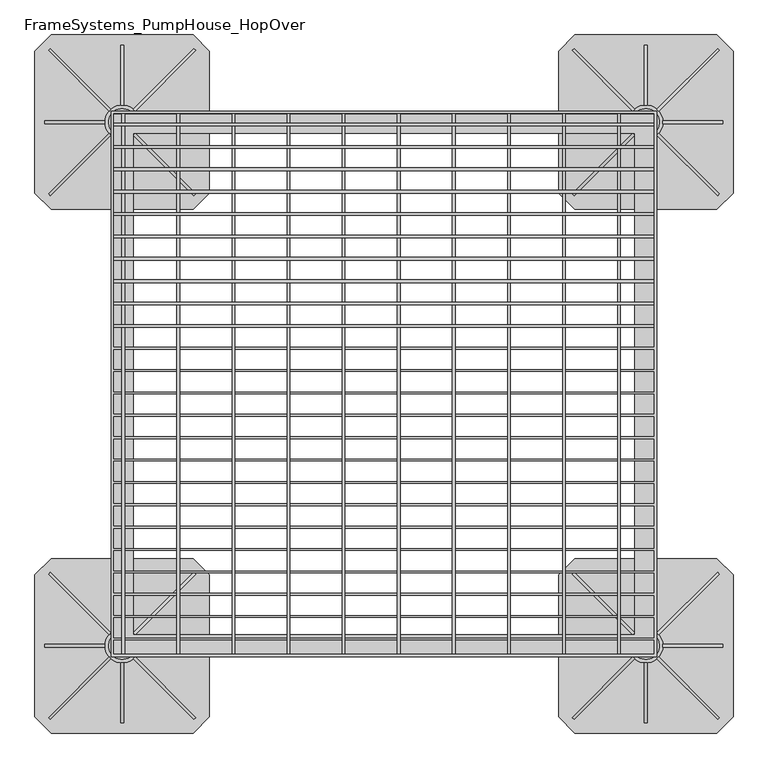
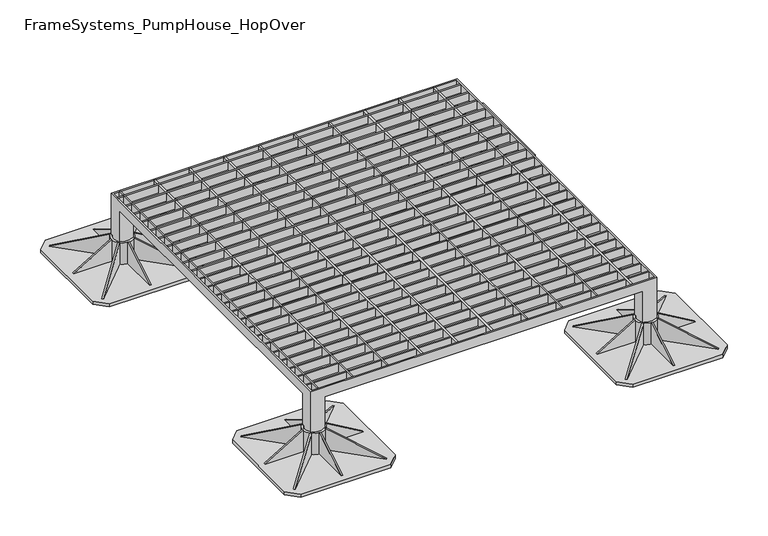
"""IFC4 building model written with IfcOpenShell, lengths in millimetres: beam geometry, FrameSystems_PumpHouse_HopOver."""

from ifc_helpers import new_model, si_unit, point, frame, frame_2d, origin, origin_with_axes, place, context, project, spatial, polyline, circle_curve, trimmed, segment, composite_curve, outline, extrude, faceted_brep, source, transform, mapped, element, save


def framesystems_pumphouse_hopover_ea72f571(model_context):
    return source(origin(), model_context, "Body", "SolidModel", [
        extrude(outline(polyline([(0.0, 0.0), (169.9235121, 0.0), (145.0593839, -60.0564328), (0.0, 0.0)])), frame((1091.5218613, -98.5573952, 10.0), z_axis=(0.7071067811865491, 0.7071067811865459, 0.0), x_axis=(-0.653327860317026, 0.653327860317029, 0.3825250499864671)), (0.0, 0.0, 1.0), 5.0),
        extrude(outline(polyline([(0.0, 0.0), (-145.0593839, -60.0564328), (-169.9235121, 0.0), (0.0, 0.0)])), frame((828.4781387, -98.5573952, 10.0), z_axis=(-0.7071067811865449, 0.7071067811865502, 0.0), x_axis=(-0.65332786031703, -0.653327860317025, -0.38252504998646697)), (0.0, 0.0, 1.0), 5.0),
        extrude(outline(polyline([(0.0, 0.0), (169.9235121, 0.0), (145.0593839, -60.0564328), (0.0, 0.0)])), frame((1095.0573952, 168.0218613, 10.0), z_axis=(-0.707106781186539, 0.7071067811865561, 0.0), x_axis=(-0.6533278603170355, -0.6533278603170196, 0.3825250499864671)), (0.0, 0.0, 1.0), 5.0),
        extrude(outline(polyline([(10.0, 818.5), (10.0, 928.5), (75.0, 928.5), (10.0, 818.5)])), frame((0.0, 34.0, 0.0), z_axis=(0.0, 1.0, 0.0), x_axis=(0.0, 0.0, 1.0)), (0.0, 0.0, 1.0), 5.0),
        extrude(outline(polyline([(178.0, 10.0), (68.0, 10.0), (68.0, 75.0), (178.0, 10.0)])), frame((957.5, 0.0, 0.0), z_axis=(1.0, 0.0, 0.0), x_axis=(0.0, 1.0, 0.0)), (0.0, 0.0, 1.0), 5.0),
        extrude(outline(polyline([(-105.0, 10.0), (5.0, 75.0), (5.0, 10.0), (-105.0, 10.0)])), frame((957.5, 0.0, 0.0), z_axis=(1.0, 0.0, 0.0), x_axis=(0.0, 1.0, 0.0)), (0.0, 0.0, 1.0), 5.0),
        extrude(outline(polyline([(0.0, 0.0), (-145.0593839, -60.0564328), (-169.9235121, 0.0), (0.0, 0.0)])), frame((824.9426048, 168.0218613, 10.0), z_axis=(0.7071067811865491, 0.707106781186546, 0.0), x_axis=(-0.6533278603170262, 0.653327860317029, -0.3825250499864671)), (0.0, 0.0, 1.0), 5.0),
        extrude(outline(polyline([(10.0, 1101.5), (75.0, 991.5), (10.0, 991.5), (10.0, 1101.5)])), frame((0.0, 34.0, 0.0), z_axis=(0.0, 1.0, 0.0), x_axis=(0.0, 0.0, 1.0)), (0.0, 0.0, 1.0), 5.0),
        extrude(outline(composite_curve([segment(trimmed(circle_curve(frame_2d((960.0, 36.5)), 31.5), [point((928.5, 36.5))], [point((991.5, 36.5))], False, "CARTESIAN"), True, "CONTINUOUS"), segment(trimmed(circle_curve(frame_2d((960.0, 36.5)), 31.5), [point((991.5, 36.5))], [point((928.5, 36.5))], False, "CARTESIAN"), True, "CONTINUOUS")], self_intersect=False), holes=[composite_curve([segment(polyline([(940.0, 21.5), (940.0, 16.5), (945.0, 16.5)]), True, "CONTINUOUS"), segment(trimmed(circle_curve(frame_2d((960.0, 36.5)), 25.0), [point((945.0, 16.5))], [point((975.0, 16.5))], True, "CARTESIAN"), True, "CONTINUOUS"), segment(polyline([(975.0, 16.5), (980.0, 16.5), (980.0, 21.5)]), True, "CONTINUOUS"), segment(trimmed(circle_curve(frame_2d((960.0, 36.5)), 25.0), [point((980.0, 21.5))], [point((980.0, 51.5))], True, "CARTESIAN"), True, "CONTINUOUS"), segment(polyline([(980.0, 51.5), (980.0, 56.5), (975.0, 56.5)]), True, "CONTINUOUS"), segment(trimmed(circle_curve(frame_2d((960.0, 36.5)), 25.0), [point((975.0, 56.5))], [point((945.0, 56.5))], True, "CARTESIAN"), True, "CONTINUOUS"), segment(polyline([(945.0, 56.5), (940.0, 56.5), (940.0, 51.5)]), True, "CONTINUOUS"), segment(trimmed(circle_curve(frame_2d((960.0, 36.5)), 25.0), [point((940.0, 51.5))], [point((940.0, 21.5))], True, "CARTESIAN"), True, "CONTINUOUS")], self_intersect=False)]), frame((0.0, 0.0, 10.0), z_axis=(0.0, 0.0, 1.0), x_axis=(1.0, 0.0, 0.0)), (0.0, 0.0, 1.0), 65.0),
        extrude(outline(polyline([(1090.0, 196.5), (1120.0, 166.5), (1120.0, -93.5), (1090.0, -123.5), (830.0, -123.5), (800.0, -93.5), (800.0, 166.5), (830.0, 196.5), (1090.0, 196.5)])), origin_with_axes(), (0.0, 0.0, 1.0), 10.0),
        extrude(outline(polyline([(0.0, 0.0), (169.9235121, 0.0), (145.0593839, -60.0564328), (0.0, 0.0)])), frame((131.5218613, -98.5573952, 10.0), z_axis=(0.7071067811865491, 0.7071067811865459, 0.0), x_axis=(-0.653327860317026, 0.653327860317029, 0.3825250499864671)), (0.0, 0.0, 1.0), 5.0),
        extrude(outline(polyline([(0.0, 0.0), (-145.0593839, -60.0564328), (-169.9235121, 0.0), (0.0, 0.0)])), frame((-131.5218613, -98.5573952, 10.0), z_axis=(-0.7071067811865449, 0.7071067811865502, 0.0), x_axis=(-0.65332786031703, -0.653327860317025, -0.38252504998646697)), (0.0, 0.0, 1.0), 5.0),
        extrude(outline(polyline([(0.0, 0.0), (169.9235121, 0.0), (145.0593839, -60.0564328), (0.0, 0.0)])), frame((135.0573952, 168.0218613, 10.0), z_axis=(-0.707106781186539, 0.7071067811865561, 0.0), x_axis=(-0.6533278603170355, -0.6533278603170196, 0.3825250499864671)), (0.0, 0.0, 1.0), 5.0),
        extrude(outline(polyline([(10.0, -141.5), (10.0, -31.5), (75.0, -31.5), (10.0, -141.5)])), frame((0.0, 34.0, 0.0), z_axis=(0.0, 1.0, 0.0), x_axis=(0.0, 0.0, 1.0)), (0.0, 0.0, 1.0), 5.0),
        extrude(outline(polyline([(178.0, 10.0), (68.0, 10.0), (68.0, 75.0), (178.0, 10.0)])), frame((-2.5, 0.0, 0.0), z_axis=(1.0, 0.0, 0.0), x_axis=(0.0, 1.0, 0.0)), (0.0, 0.0, 1.0), 5.0),
        extrude(outline(polyline([(-105.0, 10.0), (5.0, 75.0), (5.0, 10.0), (-105.0, 10.0)])), frame((-2.5, 0.0, 0.0), z_axis=(1.0, 0.0, 0.0), x_axis=(0.0, 1.0, 0.0)), (0.0, 0.0, 1.0), 5.0),
        extrude(outline(polyline([(0.0, 0.0), (-145.0593839, -60.0564328), (-169.9235121, 0.0), (0.0, 0.0)])), frame((-135.0573952, 168.0218613, 10.0), z_axis=(0.7071067811865491, 0.707106781186546, 0.0), x_axis=(-0.6533278603170262, 0.653327860317029, -0.3825250499864671)), (0.0, 0.0, 1.0), 5.0),
        extrude(outline(polyline([(10.0, 141.5), (75.0, 31.5), (10.0, 31.5), (10.0, 141.5)])), frame((0.0, 34.0, 0.0), z_axis=(0.0, 1.0, 0.0), x_axis=(0.0, 0.0, 1.0)), (0.0, 0.0, 1.0), 5.0),
        extrude(outline(composite_curve([segment(trimmed(circle_curve(frame_2d((0.0, 36.5)), 31.5), [point((-31.5, 36.5))], [point((31.5, 36.5))], False, "CARTESIAN"), True, "CONTINUOUS"), segment(trimmed(circle_curve(frame_2d((0.0, 36.5)), 31.5), [point((31.5, 36.5))], [point((-31.5, 36.5))], False, "CARTESIAN"), True, "CONTINUOUS")], self_intersect=False), holes=[composite_curve([segment(polyline([(-20.0, 21.5), (-20.0, 16.5), (-15.0, 16.5)]), True, "CONTINUOUS"), segment(trimmed(circle_curve(frame_2d((0.0, 36.5)), 25.0), [point((-15.0, 16.5))], [point((15.0, 16.5))], True, "CARTESIAN"), True, "CONTINUOUS"), segment(polyline([(15.0, 16.5), (20.0, 16.5), (20.0, 21.5)]), True, "CONTINUOUS"), segment(trimmed(circle_curve(frame_2d((0.0, 36.5)), 25.0), [point((20.0, 21.5))], [point((20.0, 51.5))], True, "CARTESIAN"), True, "CONTINUOUS"), segment(polyline([(20.0, 51.5), (20.0, 56.5), (15.0, 56.5)]), True, "CONTINUOUS"), segment(trimmed(circle_curve(frame_2d((0.0, 36.5)), 25.0), [point((15.0, 56.5))], [point((-15.0, 56.5))], True, "CARTESIAN"), True, "CONTINUOUS"), segment(polyline([(-15.0, 56.5), (-20.0, 56.5), (-20.0, 51.5)]), True, "CONTINUOUS"), segment(trimmed(circle_curve(frame_2d((0.0, 36.5)), 25.0), [point((-20.0, 51.5))], [point((-20.0, 21.5))], True, "CARTESIAN"), True, "CONTINUOUS")], self_intersect=False)]), frame((0.0, 0.0, 10.0), z_axis=(0.0, 0.0, 1.0), x_axis=(1.0, 0.0, 0.0)), (0.0, 0.0, 1.0), 65.0),
        extrude(outline(polyline([(130.0, 196.5), (160.0, 166.5), (160.0, -93.5), (130.0, -123.5), (-130.0, -123.5), (-160.0, -93.5), (-160.0, 166.5), (-130.0, 196.5), (130.0, 196.5)])), origin_with_axes(), (0.0, 0.0, 1.0), 10.0),
        extrude(outline(polyline([(0.0, 0.0), (169.9235121, 0.0), (145.0593839, -60.0564328), (0.0, 0.0)])), frame((1091.5218613, 861.4426048, 10.0), z_axis=(0.7071067811865491, 0.7071067811865459, 0.0), x_axis=(-0.653327860317026, 0.653327860317029, 0.3825250499864671)), (0.0, 0.0, 1.0), 5.0),
        extrude(outline(polyline([(0.0, 0.0), (-145.0593839, -60.0564328), (-169.9235121, 0.0), (0.0, 0.0)])), frame((828.4781387, 861.4426048, 10.0), z_axis=(-0.7071067811865449, 0.7071067811865502, 0.0), x_axis=(-0.65332786031703, -0.653327860317025, -0.38252504998646697)), (0.0, 0.0, 1.0), 5.0),
        extrude(outline(polyline([(0.0, 0.0), (169.9235121, 0.0), (145.0593839, -60.0564328), (0.0, 0.0)])), frame((1095.0573952, 1128.0218613, 10.0), z_axis=(-0.707106781186539, 0.7071067811865561, 0.0), x_axis=(-0.6533278603170355, -0.6533278603170196, 0.3825250499864671)), (0.0, 0.0, 1.0), 5.0),
        extrude(outline(polyline([(10.0, 818.5), (10.0, 928.5), (75.0, 928.5), (10.0, 818.5)])), frame((0.0, 994.0, 0.0), z_axis=(0.0, 1.0, 0.0), x_axis=(0.0, 0.0, 1.0)), (0.0, 0.0, 1.0), 5.0),
        extrude(outline(polyline([(1138.0, 10.0), (1028.0, 10.0), (1028.0, 75.0), (1138.0, 10.0)])), frame((957.5, 0.0, 0.0), z_axis=(1.0, 0.0, 0.0), x_axis=(0.0, 1.0, 0.0)), (0.0, 0.0, 1.0), 5.0),
        extrude(outline(polyline([(855.0, 10.0), (965.0, 75.0), (965.0, 10.0), (855.0, 10.0)])), frame((957.5, 0.0, 0.0), z_axis=(1.0, 0.0, 0.0), x_axis=(0.0, 1.0, 0.0)), (0.0, 0.0, 1.0), 5.0),
        extrude(outline(polyline([(0.0, 0.0), (-145.0593839, -60.0564328), (-169.9235121, 0.0), (0.0, 0.0)])), frame((824.9426048, 1128.0218613, 10.0), z_axis=(0.7071067811865491, 0.707106781186546, 0.0), x_axis=(-0.6533278603170262, 0.653327860317029, -0.3825250499864671)), (0.0, 0.0, 1.0), 5.0),
        extrude(outline(polyline([(10.0, 1101.5), (75.0, 991.5), (10.0, 991.5), (10.0, 1101.5)])), frame((0.0, 994.0, 0.0), z_axis=(0.0, 1.0, 0.0), x_axis=(0.0, 0.0, 1.0)), (0.0, 0.0, 1.0), 5.0),
        extrude(outline(composite_curve([segment(trimmed(circle_curve(frame_2d((960.0, 996.5)), 31.5), [point((928.5, 996.5))], [point((991.5, 996.5))], False, "CARTESIAN"), True, "CONTINUOUS"), segment(trimmed(circle_curve(frame_2d((960.0, 996.5)), 31.5), [point((991.5, 996.5))], [point((928.5, 996.5))], False, "CARTESIAN"), True, "CONTINUOUS")], self_intersect=False), holes=[composite_curve([segment(polyline([(940.0, 981.5), (940.0, 976.5), (945.0, 976.5)]), True, "CONTINUOUS"), segment(trimmed(circle_curve(frame_2d((960.0, 996.5)), 25.0), [point((945.0, 976.5))], [point((975.0, 976.5))], True, "CARTESIAN"), True, "CONTINUOUS"), segment(polyline([(975.0, 976.5), (980.0, 976.5), (980.0, 981.5)]), True, "CONTINUOUS"), segment(trimmed(circle_curve(frame_2d((960.0, 996.5)), 25.0), [point((980.0, 981.5))], [point((980.0, 1011.5))], True, "CARTESIAN"), True, "CONTINUOUS"), segment(polyline([(980.0, 1011.5), (980.0, 1016.5), (975.0, 1016.5)]), True, "CONTINUOUS"), segment(trimmed(circle_curve(frame_2d((960.0, 996.5)), 25.0), [point((975.0, 1016.5))], [point((945.0, 1016.5))], True, "CARTESIAN"), True, "CONTINUOUS"), segment(polyline([(945.0, 1016.5), (940.0, 1016.5), (940.0, 1011.5)]), True, "CONTINUOUS"), segment(trimmed(circle_curve(frame_2d((960.0, 996.5)), 25.0), [point((940.0, 1011.5))], [point((940.0, 981.5))], True, "CARTESIAN"), True, "CONTINUOUS")], self_intersect=False)]), frame((0.0, 0.0, 10.0), z_axis=(0.0, 0.0, 1.0), x_axis=(1.0, 0.0, 0.0)), (0.0, 0.0, 1.0), 65.0),
        extrude(outline(polyline([(1090.0, 1156.5), (1120.0, 1126.5), (1120.0, 866.5), (1090.0, 836.5), (830.0, 836.5), (800.0, 866.5), (800.0, 1126.5), (830.0, 1156.5), (1090.0, 1156.5)])), origin_with_axes(), (0.0, 0.0, 1.0), 10.0),
        extrude(outline(polyline([(0.0, 0.0), (169.9235121, 0.0), (145.0593839, -60.0564328), (0.0, 0.0)])), frame((131.5218613, 861.4426048, 10.0), z_axis=(0.7071067811865491, 0.7071067811865459, 0.0), x_axis=(-0.653327860317026, 0.653327860317029, 0.3825250499864671)), (0.0, 0.0, 1.0), 5.0),
        extrude(outline(polyline([(0.0, 0.0), (-145.0593839, -60.0564328), (-169.9235121, 0.0), (0.0, 0.0)])), frame((-131.5218613, 861.4426048, 10.0), z_axis=(-0.7071067811865449, 0.7071067811865502, 0.0), x_axis=(-0.65332786031703, -0.653327860317025, -0.38252504998646697)), (0.0, 0.0, 1.0), 5.0),
        extrude(outline(polyline([(0.0, 0.0), (169.9235121, 0.0), (145.0593839, -60.0564328), (0.0, 0.0)])), frame((135.0573952, 1128.0218613, 10.0), z_axis=(-0.707106781186539, 0.7071067811865561, 0.0), x_axis=(-0.6533278603170355, -0.6533278603170196, 0.3825250499864671)), (0.0, 0.0, 1.0), 5.0),
        extrude(outline(polyline([(10.0, -141.5), (10.0, -31.5), (75.0, -31.5), (10.0, -141.5)])), frame((0.0, 994.0, 0.0), z_axis=(0.0, 1.0, 0.0), x_axis=(0.0, 0.0, 1.0)), (0.0, 0.0, 1.0), 5.0),
        extrude(outline(polyline([(1138.0, 10.0), (1028.0, 10.0), (1028.0, 75.0), (1138.0, 10.0)])), frame((-2.5, 0.0, 0.0), z_axis=(1.0, 0.0, 0.0), x_axis=(0.0, 1.0, 0.0)), (0.0, 0.0, 1.0), 5.0),
        extrude(outline(polyline([(855.0, 10.0), (965.0, 75.0), (965.0, 10.0), (855.0, 10.0)])), frame((-2.5, 0.0, 0.0), z_axis=(1.0, 0.0, 0.0), x_axis=(0.0, 1.0, 0.0)), (0.0, 0.0, 1.0), 5.0),
        extrude(outline(polyline([(0.0, 0.0), (-145.0593839, -60.0564328), (-169.9235121, 0.0), (0.0, 0.0)])), frame((-135.0573952, 1128.0218613, 10.0), z_axis=(0.7071067811865491, 0.707106781186546, 0.0), x_axis=(-0.6533278603170262, 0.653327860317029, -0.3825250499864671)), (0.0, 0.0, 1.0), 5.0),
        extrude(outline(polyline([(10.0, 141.5), (75.0, 31.5), (10.0, 31.5), (10.0, 141.5)])), frame((0.0, 994.0, 0.0), z_axis=(0.0, 1.0, 0.0), x_axis=(0.0, 0.0, 1.0)), (0.0, 0.0, 1.0), 5.0),
        extrude(outline(composite_curve([segment(trimmed(circle_curve(frame_2d((0.0, 996.5)), 31.5), [point((-31.5, 996.5))], [point((31.5, 996.5))], False, "CARTESIAN"), True, "CONTINUOUS"), segment(trimmed(circle_curve(frame_2d((0.0, 996.5)), 31.5), [point((31.5, 996.5))], [point((-31.5, 996.5))], False, "CARTESIAN"), True, "CONTINUOUS")], self_intersect=False), holes=[composite_curve([segment(polyline([(-20.0, 981.5), (-20.0, 976.5), (-15.0, 976.5)]), True, "CONTINUOUS"), segment(trimmed(circle_curve(frame_2d((0.0, 996.5)), 25.0), [point((-15.0, 976.5))], [point((15.0, 976.5))], True, "CARTESIAN"), True, "CONTINUOUS"), segment(polyline([(15.0, 976.5), (20.0, 976.5), (20.0, 981.5)]), True, "CONTINUOUS"), segment(trimmed(circle_curve(frame_2d((0.0, 996.5)), 25.0), [point((20.0, 981.5))], [point((20.0, 1011.5))], True, "CARTESIAN"), True, "CONTINUOUS"), segment(polyline([(20.0, 1011.5), (20.0, 1016.5), (15.0, 1016.5)]), True, "CONTINUOUS"), segment(trimmed(circle_curve(frame_2d((0.0, 996.5)), 25.0), [point((15.0, 1016.5))], [point((-15.0, 1016.5))], True, "CARTESIAN"), True, "CONTINUOUS"), segment(polyline([(-15.0, 1016.5), (-20.0, 1016.5), (-20.0, 1011.5)]), True, "CONTINUOUS"), segment(trimmed(circle_curve(frame_2d((0.0, 996.5)), 25.0), [point((-20.0, 1011.5))], [point((-20.0, 981.5))], True, "CARTESIAN"), True, "CONTINUOUS")], self_intersect=False)]), frame((0.0, 0.0, 10.0), z_axis=(0.0, 0.0, 1.0), x_axis=(1.0, 0.0, 0.0)), (0.0, 0.0, 1.0), 65.0),
        extrude(outline(polyline([(130.0, 1156.5), (160.0, 1126.5), (160.0, 866.5), (130.0, 836.5), (-130.0, 836.5), (-160.0, 866.5), (-160.0, 1126.5), (-130.0, 1156.5), (130.0, 1156.5)])), origin_with_axes(), (0.0, 0.0, 1.0), 10.0),
        extrude(outline(polyline([(975.0, 989.5), (-15.0, 989.5), (-15.0, 994.5), (975.0, 994.5), (975.0, 989.5)])), frame((0.0, 0.0, 175.0), z_axis=(0.0, 0.0, 1.0), x_axis=(1.0, 0.0, 0.0)), (0.0, 0.0, 1.0), 25.0),
        extrude(outline(polyline([(975.0, 948.5), (-15.0, 948.5), (-15.0, 953.5), (975.0, 953.5), (975.0, 948.5)])), frame((0.0, 0.0, 175.0), z_axis=(0.0, 0.0, 1.0), x_axis=(1.0, 0.0, 0.0)), (0.0, 0.0, 1.0), 25.0),
        extrude(outline(polyline([(975.0, 907.5), (-15.0, 907.5), (-15.0, 912.5), (975.0, 912.5), (975.0, 907.5)])), frame((0.0, 0.0, 175.0), z_axis=(0.0, 0.0, 1.0), x_axis=(1.0, 0.0, 0.0)), (0.0, 0.0, 1.0), 25.0),
        extrude(outline(polyline([(975.0, 866.5), (-15.0, 866.5), (-15.0, 871.5), (975.0, 871.5), (975.0, 866.5)])), frame((0.0, 0.0, 175.0), z_axis=(0.0, 0.0, 1.0), x_axis=(1.0, 0.0, 0.0)), (0.0, 0.0, 1.0), 25.0),
        extrude(outline(polyline([(975.0, 825.5), (-15.0, 825.5), (-15.0, 830.5), (975.0, 830.5), (975.0, 825.5)])), frame((0.0, 0.0, 175.0), z_axis=(0.0, 0.0, 1.0), x_axis=(1.0, 0.0, 0.0)), (0.0, 0.0, 1.0), 25.0),
        extrude(outline(polyline([(975.0, 784.5), (-15.0, 784.5), (-15.0, 789.5), (975.0, 789.5), (975.0, 784.5)])), frame((0.0, 0.0, 175.0), z_axis=(0.0, 0.0, 1.0), x_axis=(1.0, 0.0, 0.0)), (0.0, 0.0, 1.0), 25.0),
        extrude(outline(polyline([(975.0, 743.5), (-15.0, 743.5), (-15.0, 748.5), (975.0, 748.5), (975.0, 743.5)])), frame((0.0, 0.0, 175.0), z_axis=(0.0, 0.0, 1.0), x_axis=(1.0, 0.0, 0.0)), (0.0, 0.0, 1.0), 25.0),
        extrude(outline(polyline([(975.0, 702.5), (-15.0, 702.5), (-15.0, 707.5), (975.0, 707.5), (975.0, 702.5)])), frame((0.0, 0.0, 175.0), z_axis=(0.0, 0.0, 1.0), x_axis=(1.0, 0.0, 0.0)), (0.0, 0.0, 1.0), 25.0),
        extrude(outline(polyline([(975.0, 661.5), (-15.0, 661.5), (-15.0, 666.5), (975.0, 666.5), (975.0, 661.5)])), frame((0.0, 0.0, 175.0), z_axis=(0.0, 0.0, 1.0), x_axis=(1.0, 0.0, 0.0)), (0.0, 0.0, 1.0), 25.0),
        extrude(outline(polyline([(975.0, 620.5), (-15.0, 620.5), (-15.0, 625.5), (975.0, 625.5), (975.0, 620.5)])), frame((0.0, 0.0, 175.0), z_axis=(0.0, 0.0, 1.0), x_axis=(1.0, 0.0, 0.0)), (0.0, 0.0, 1.0), 25.0),
        extrude(outline(polyline([(-0.5314909, 1011.5), (4.4685091, 1011.5), (4.4685091, 21.5), (-0.5314909, 21.5), (-0.5314909, 1011.5)])), frame((0.0, 0.0, 175.0), z_axis=(0.0, 0.0, 1.0), x_axis=(1.0, 0.0, 0.0)), (0.0, 0.0, 1.0), 25.0),
        extrude(outline(polyline([(100.4685091, 1011.5), (105.4685091, 1011.5), (105.4685091, 21.5), (100.4685091, 21.5), (100.4685091, 1011.5)])), frame((0.0, 0.0, 175.0), z_axis=(0.0, 0.0, 1.0), x_axis=(1.0, 0.0, 0.0)), (0.0, 0.0, 1.0), 25.0),
        extrude(outline(polyline([(201.4685091, 1011.5), (206.4685091, 1011.5), (206.4685091, 21.5), (201.4685091, 21.5), (201.4685091, 1011.5)])), frame((0.0, 0.0, 175.0), z_axis=(0.0, 0.0, 1.0), x_axis=(1.0, 0.0, 0.0)), (0.0, 0.0, 1.0), 25.0),
        extrude(outline(polyline([(302.4685091, 1011.5), (307.4685091, 1011.5), (307.4685091, 21.5), (302.4685091, 21.5), (302.4685091, 1011.5)])), frame((0.0, 0.0, 175.0), z_axis=(0.0, 0.0, 1.0), x_axis=(1.0, 0.0, 0.0)), (0.0, 0.0, 1.0), 25.0),
        extrude(outline(polyline([(403.4685091, 1011.5), (408.4685091, 1011.5), (408.4685091, 21.5), (403.4685091, 21.5), (403.4685091, 1011.5)])), frame((0.0, 0.0, 175.0), z_axis=(0.0, 0.0, 1.0), x_axis=(1.0, 0.0, 0.0)), (0.0, 0.0, 1.0), 25.0),
        extrude(outline(polyline([(504.4685091, 1011.5), (509.4685091, 1011.5), (509.4685091, 21.5), (504.4685091, 21.5), (504.4685091, 1011.5)])), frame((0.0, 0.0, 175.0), z_axis=(0.0, 0.0, 1.0), x_axis=(1.0, 0.0, 0.0)), (0.0, 0.0, 1.0), 25.0),
        extrude(outline(polyline([(605.4685091, 1011.5), (610.4685091, 1011.5), (610.4685091, 21.5), (605.4685091, 21.5), (605.4685091, 1011.5)])), frame((0.0, 0.0, 175.0), z_axis=(0.0, 0.0, 1.0), x_axis=(1.0, 0.0, 0.0)), (0.0, 0.0, 1.0), 25.0),
        extrude(outline(polyline([(706.4685091, 1011.5), (711.4685091, 1011.5), (711.4685091, 21.5), (706.4685091, 21.5), (706.4685091, 1011.5)])), frame((0.0, 0.0, 175.0), z_axis=(0.0, 0.0, 1.0), x_axis=(1.0, 0.0, 0.0)), (0.0, 0.0, 1.0), 25.0),
        extrude(outline(polyline([(807.4685091, 1011.5), (812.4685091, 1011.5), (812.4685091, 21.5), (807.4685091, 21.5), (807.4685091, 1011.5)])), frame((0.0, 0.0, 175.0), z_axis=(0.0, 0.0, 1.0), x_axis=(1.0, 0.0, 0.0)), (0.0, 0.0, 1.0), 25.0),
        extrude(outline(polyline([(908.4685091, 1011.5), (913.4685091, 1011.5), (913.4685091, 21.5), (908.4685091, 21.5), (908.4685091, 1011.5)])), frame((0.0, 0.0, 175.0), z_axis=(0.0, 0.0, 1.0), x_axis=(1.0, 0.0, 0.0)), (0.0, 0.0, 1.0), 25.0),
        faceted_brep([(20.0, 976.5, 170.0), (20.0, 56.5, 170.0), (-20.0, 56.5, 170.0), (-20.0, 976.5, 170.0), (940.0, 56.5, 170.0), (940.0, 16.5, 170.0), (20.0, 16.5, 170.0), (940.0, 976.5, 170.0), (980.0, 976.5, 170.0), (980.0, 56.5, 170.0), (20.0, 1016.5, 170.0), (940.0, 1016.5, 170.0), (20.0, 976.5, 175.0), (940.0, 976.5, 175.0), (940.0, 584.5, 175.0), (975.0, 584.5, 175.0), (975.0, 1011.5, 175.0), (-15.0, 1011.5, 175.0), (-15.0, 584.5, 175.0), (20.0, 584.5, 175.0), (940.0, 56.5, 175.0), (20.0, 56.5, 175.0), (20.0, 87.5, 175.0), (-15.0, 87.5, 175.0), (-15.0, 51.5, 175.0), (975.0, 51.5, 175.0), (975.0, 87.5, 175.0), (940.0, 87.5, 175.0), (20.0, 215.5, 175.0), (20.0, 251.5, 175.0), (-15.0, 251.5, 175.0), (-15.0, 215.5, 175.0), (20.0, 256.5, 175.0), (20.0, 292.5, 175.0), (-15.0, 292.5, 175.0), (-15.0, 256.5, 175.0), (20.0, 297.5, 175.0), (20.0, 333.5, 175.0), (-15.0, 333.5, 175.0), (-15.0, 297.5, 175.0), (20.0, 338.5, 175.0), (20.0, 374.5, 175.0), (-15.0, 374.5, 175.0), (-15.0, 338.5, 175.0), (20.0, 379.5, 175.0), (20.0, 415.5, 175.0), (-15.0, 415.5, 175.0), (-15.0, 379.5, 175.0), (20.0, 420.5, 175.0), (20.0, 456.5, 175.0), (-15.0, 456.5, 175.0), (-15.0, 420.5, 175.0), (20.0, 461.5, 175.0), (20.0, 497.5, 175.0), (-15.0, 497.5, 175.0), (-15.0, 461.5, 175.0), (20.0, 502.5, 175.0), (20.0, 538.5, 175.0), (-15.0, 538.5, 175.0), (-15.0, 502.5, 175.0), (20.0, 543.5, 175.0), (20.0, 579.5, 175.0), (-15.0, 579.5, 175.0), (-15.0, 543.5, 175.0), (-15.0, 21.5, 175.0), (975.0, 21.5, 175.0), (975.0, 46.5, 175.0), (-15.0, 46.5, 175.0), (-15.0, 92.5, 175.0), (20.0, 92.5, 175.0), (20.0, 128.5, 175.0), (-15.0, 128.5, 175.0), (940.0, 92.5, 175.0), (975.0, 92.5, 175.0), (975.0, 128.5, 175.0), (940.0, 128.5, 175.0), (940.0, 133.5, 175.0), (975.0, 133.5, 175.0), (975.0, 169.5, 175.0), (940.0, 169.5, 175.0), (-15.0, 133.5, 175.0), (20.0, 133.5, 175.0), (20.0, 169.5, 175.0), (-15.0, 169.5, 175.0), (940.0, 251.5, 175.0), (940.0, 215.5, 175.0), (975.0, 215.5, 175.0), (975.0, 251.5, 175.0), (940.0, 292.5, 175.0), (940.0, 256.5, 175.0), (975.0, 256.5, 175.0), (975.0, 292.5, 175.0), (940.0, 333.5, 175.0), (940.0, 297.5, 175.0), (975.0, 297.5, 175.0), (975.0, 333.5, 175.0), (940.0, 374.5, 175.0), (940.0, 338.5, 175.0), (975.0, 338.5, 175.0), (975.0, 374.5, 175.0), (940.0, 415.5, 175.0), (940.0, 379.5, 175.0), (975.0, 379.5, 175.0), (975.0, 415.5, 175.0), (940.0, 456.5, 175.0), (940.0, 420.5, 175.0), (975.0, 420.5, 175.0), (975.0, 456.5, 175.0), (940.0, 497.5, 175.0), (940.0, 461.5, 175.0), (975.0, 461.5, 175.0), (975.0, 497.5, 175.0), (940.0, 538.5, 175.0), (940.0, 502.5, 175.0), (975.0, 502.5, 175.0), (975.0, 538.5, 175.0), (940.0, 579.5, 175.0), (940.0, 543.5, 175.0), (975.0, 543.5, 175.0), (975.0, 579.5, 175.0), (20.0, 210.5, 175.0), (-15.0, 210.5, 175.0), (-15.0, 174.5, 175.0), (20.0, 174.5, 175.0), (975.0, 210.5, 175.0), (940.0, 210.5, 175.0), (940.0, 174.5, 175.0), (975.0, 174.5, 175.0), (20.0, 1016.5, 10.0), (-20.0, 1016.5, 10.0), (-20.0, 1016.5, 200.0), (980.0, 1016.5, 200.0), (980.0, 1016.5, 10.0), (940.0, 1016.5, 10.0), (980.0, 16.5, 10.0), (980.0, 56.5, 10.0), (980.0, 976.5, 10.0), (980.0, 16.5, 200.0), (-20.0, 16.5, 10.0), (20.0, 16.5, 10.0), (940.0, 16.5, 10.0), (-20.0, 16.5, 200.0), (-20.0, 976.5, 10.0), (-20.0, 56.5, 10.0), (940.0, 56.5, 10.0), (20.0, 976.5, 10.0), (20.0, 56.5, 10.0), (940.0, 976.5, 10.0), (-15.0, 21.5, 200.0), (975.0, 21.5, 200.0), (-15.0, 46.5, 200.0), (-15.0, 51.5, 200.0), (-15.0, 87.5, 200.0), (-15.0, 92.5, 200.0), (-15.0, 128.5, 200.0), (-15.0, 133.5, 200.0), (-15.0, 169.5, 200.0), (-15.0, 1011.5, 200.0), (-15.0, 584.5, 200.0), (-15.0, 251.5, 200.0), (-15.0, 215.5, 200.0), (-15.0, 292.5, 200.0), (-15.0, 256.5, 200.0), (-15.0, 333.5, 200.0), (-15.0, 297.5, 200.0), (-15.0, 374.5, 200.0), (-15.0, 338.5, 200.0), (-15.0, 415.5, 200.0), (-15.0, 379.5, 200.0), (-15.0, 456.5, 200.0), (-15.0, 420.5, 200.0), (-15.0, 497.5, 200.0), (-15.0, 461.5, 200.0), (-15.0, 538.5, 200.0), (-15.0, 502.5, 200.0), (-15.0, 579.5, 200.0), (-15.0, 543.5, 200.0), (-15.0, 210.5, 200.0), (-15.0, 174.5, 200.0), (975.0, 1011.5, 200.0), (975.0, 46.5, 200.0), (975.0, 584.5, 200.0), (975.0, 51.5, 200.0), (975.0, 87.5, 200.0), (975.0, 92.5, 200.0), (975.0, 128.5, 200.0), (975.0, 133.5, 200.0), (975.0, 169.5, 200.0), (975.0, 215.5, 200.0), (975.0, 251.5, 200.0), (975.0, 256.5, 200.0), (975.0, 292.5, 200.0), (975.0, 297.5, 200.0), (975.0, 333.5, 200.0), (975.0, 338.5, 200.0), (975.0, 374.5, 200.0), (975.0, 379.5, 200.0), (975.0, 415.5, 200.0), (975.0, 420.5, 200.0), (975.0, 456.5, 200.0), (975.0, 461.5, 200.0), (975.0, 497.5, 200.0), (975.0, 502.5, 200.0), (975.0, 538.5, 200.0), (975.0, 543.5, 200.0), (975.0, 579.5, 200.0), (975.0, 210.5, 200.0), (975.0, 174.5, 200.0)], [[[0, 1, 2, 3]], [[1, 4, 5, 6]], [[4, 7, 8, 9]], [[7, 0, 10, 11]], [[12, 13, 14, 15, 16, 17, 18, 19]], [[20, 21, 22, 23, 24, 25, 26, 27]], [[28, 29, 30, 31]], [[32, 33, 34, 35]], [[36, 37, 38, 39]], [[40, 41, 42, 43]], [[44, 45, 46, 47]], [[48, 49, 50, 51]], [[52, 53, 54, 55]], [[56, 57, 58, 59]], [[60, 61, 62, 63]], [[64, 65, 66, 67]], [[68, 69, 70, 71]], [[72, 73, 74, 75]], [[76, 77, 78, 79]], [[80, 81, 82, 83]], [[84, 85, 86, 87]], [[88, 89, 90, 91]], [[92, 93, 94, 95]], [[96, 97, 98, 99]], [[100, 101, 102, 103]], [[104, 105, 106, 107]], [[108, 109, 110, 111]], [[112, 113, 114, 115]], [[116, 117, 118, 119]], [[120, 121, 122, 123]], [[124, 125, 126, 127]], [[128, 129, 130, 131, 132, 133, 11, 10]], [[134, 135, 9, 8, 136, 132, 131, 137]], [[138, 139, 6, 5, 140, 134, 137, 141]], [[129, 142, 3, 2, 143, 138, 141, 130]], [[1, 0, 12, 19, 61, 60, 57, 56, 53, 52, 49, 48, 45, 44, 41, 40, 37, 36, 33, 32, 29, 28, 120, 123, 82, 81, 70, 69, 22, 21]], [[4, 1, 21, 20]], [[7, 4, 20, 27, 72, 75, 76, 79, 126, 125, 85, 84, 89, 88, 93, 92, 97, 96, 101, 100, 105, 104, 109, 108, 113, 112, 117, 116, 14, 13]], [[0, 7, 13, 12]], [[135, 134, 140, 144]], [[142, 129, 128, 145]], [[143, 146, 139, 138]], [[136, 147, 133, 132]], [[145, 128, 10, 0]], [[142, 145, 0, 3]], [[146, 143, 2, 1]], [[139, 146, 1, 6]], [[144, 140, 5, 4]], [[135, 144, 4, 9]], [[147, 136, 8, 7]], [[133, 147, 7, 11]], [[148, 149, 65, 64]], [[148, 64, 67, 150]], [[151, 24, 23, 152]], [[153, 68, 71, 154]], [[155, 80, 83, 156]], [[17, 157, 158, 18]], [[159, 160, 31, 30]], [[161, 162, 35, 34]], [[163, 164, 39, 38]], [[165, 166, 43, 42]], [[167, 168, 47, 46]], [[169, 170, 51, 50]], [[171, 172, 55, 54]], [[173, 174, 59, 58]], [[175, 176, 63, 62]], [[121, 177, 178, 122]], [[179, 157, 17, 16]], [[65, 149, 180, 66]], [[179, 16, 15, 181]], [[25, 182, 183, 26]], [[73, 184, 185, 74]], [[77, 186, 187, 78]], [[188, 189, 87, 86]], [[190, 191, 91, 90]], [[192, 193, 95, 94]], [[194, 195, 99, 98]], [[196, 197, 103, 102]], [[198, 199, 107, 106]], [[200, 201, 111, 110]], [[202, 203, 115, 114]], [[204, 205, 119, 118]], [[206, 124, 127, 207]], [[141, 137, 131, 130], [149, 148, 150, 180], [188, 160, 159, 189], [177, 206, 207, 178], [190, 162, 161, 191], [192, 164, 163, 193], [194, 166, 165, 195], [196, 168, 167, 197], [198, 170, 169, 199], [200, 172, 171, 201], [202, 174, 173, 203], [204, 176, 175, 205], [181, 158, 157, 179], [182, 151, 152, 183], [184, 153, 154, 185], [155, 156, 187, 186]], [[125, 120, 28, 85]], [[160, 188, 86, 85, 28, 31]], [[206, 177, 121, 120, 125, 124]], [[84, 29, 32, 89]], [[162, 190, 90, 89, 32, 35]], [[189, 159, 30, 29, 84, 87]], [[88, 33, 36, 93]], [[164, 192, 94, 93, 36, 39]], [[191, 161, 34, 33, 88, 91]], [[92, 37, 40, 97]], [[166, 194, 98, 97, 40, 43]], [[193, 163, 38, 37, 92, 95]], [[96, 41, 44, 101]], [[168, 196, 102, 101, 44, 47]], [[195, 165, 42, 41, 96, 99]], [[100, 45, 48, 105]], [[170, 198, 106, 105, 48, 51]], [[197, 167, 46, 45, 100, 103]], [[104, 49, 52, 109]], [[172, 200, 110, 109, 52, 55]], [[199, 169, 50, 49, 104, 107]], [[108, 53, 56, 113]], [[174, 202, 114, 113, 56, 59]], [[201, 171, 54, 53, 108, 111]], [[112, 57, 60, 117]], [[176, 204, 118, 117, 60, 63]], [[203, 173, 58, 57, 112, 115]], [[116, 61, 19, 14]], [[158, 181, 15, 14, 19, 18]], [[205, 175, 62, 61, 116, 119]], [[151, 182, 25, 24]], [[180, 150, 67, 66]], [[69, 72, 27, 22]], [[153, 184, 73, 72, 69, 68]], [[183, 152, 23, 22, 27, 26]], [[81, 76, 75, 70]], [[155, 186, 77, 76, 81, 80]], [[185, 154, 71, 70, 75, 74]], [[123, 126, 79, 82]], [[178, 207, 127, 126, 123, 122]], [[187, 156, 83, 82, 79, 78]]]),
    ])


if __name__ == "__main__":
    model = new_model("IFC4")
    model_context = context("Model", 3, world=origin())
    ifc_project = project(units=[si_unit("LENGTHUNIT", "METRE", prefix="MILLI")], contexts=[model_context])
    site = spatial("IfcSite", under=ifc_project)
    building = spatial("IfcBuilding", under=site)
    placement = place(None, origin())
    framesystems_pumphouse_hopover_shape = framesystems_pumphouse_hopover_ea72f571(model_context)
    element("IfcBeam", 1, ObjectType="FrameSystems_PumpHouse_HopOver", at=placement, inside=building, context=model_context, shape_type="MappedRepresentation", body=[
        mapped(framesystems_pumphouse_hopover_shape, transform((0.0, 0.0, 0.0), x_axis=(1.0, 0.0, 0.0), y_axis=(0.0, 1.0, 0.0), z_axis=(0.0, 0.0, 1.0))),
    ])
    save(model, "model.ifc")
